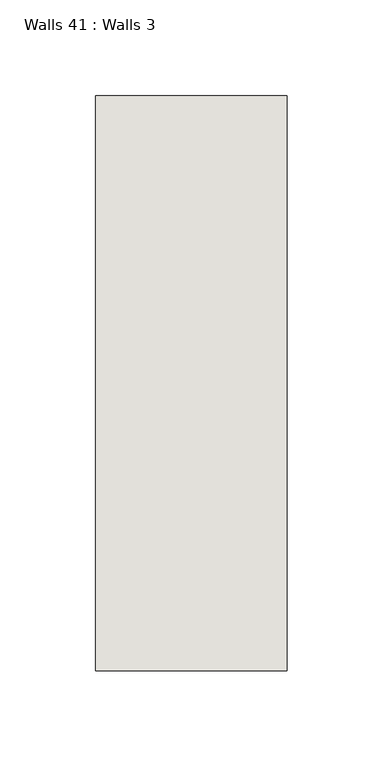
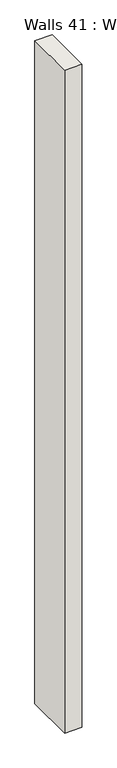
"""IFC4 building model written with IfcOpenShell, lengths in millimetres: wall geometry, Walls 41 : Walls 3."""

from ifc_helpers import new_model, si_unit, origin, origin_with_axes, place, context, project, spatial, polyline, outline, extrude, source, transform, mapped, element, save


def walls_41_walls_3_6442142f(model_context):
    return source(origin(), model_context, "Body", "SweptSolid", [
        extrude(outline(polyline([(-1012.3812655, 1518.41264), (-1012.3812655, 1818.41264), (-912.3812655, 1818.41264), (-912.3812655, 1518.41264), (-1012.3812655, 1518.41264)])), origin_with_axes(), (0.0, 0.0, 1.0), 4085.1192828),
    ])


if __name__ == "__main__":
    model = new_model("IFC4")
    model_context = context("Model", 3, world=origin())
    ifc_project = project(units=[si_unit("LENGTHUNIT", "METRE", prefix="MILLI")], contexts=[model_context])
    site = spatial("IfcSite", under=ifc_project)
    building = spatial("IfcBuilding", under=site)
    placement = place(None, origin())
    walls_41_walls_3_shape = walls_41_walls_3_6442142f(model_context)
    element("IfcWall", 1, ObjectType="Walls 41 : Walls 3", at=placement, inside=building, context=model_context, shape_type="MappedRepresentation", body=[
        mapped(walls_41_walls_3_shape, transform((0.0, 0.0, 0.0), x_axis=(1.0, 0.0, 0.0), y_axis=(0.0, 1.0, 0.0), z_axis=(0.0, 0.0, 1.0))),
    ])
    save(model, "model.ifc")
